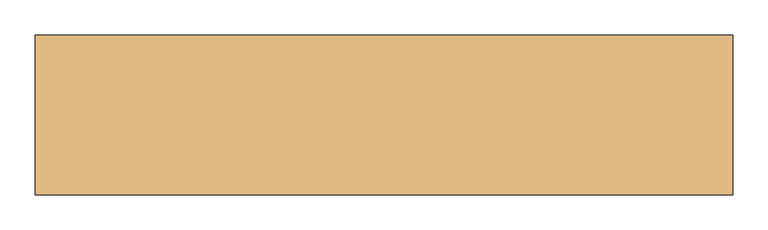
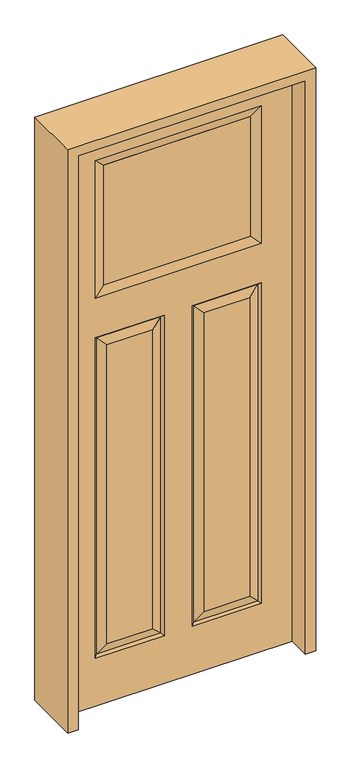
"""IFC4 building model written with IfcOpenShell, lengths in millimetres: door geometry."""

from ifc_helpers import new_model, si_unit, frame, origin, place, context, project, spatial, polyline, outline, extrude, faceted_brep, source, transform, mapped, element, save


def door_51b9a292(model_context):
    return source(origin(), model_context, "Body", "SolidModel", [
        faceted_brep([(-457.2, -20.6375, 2438.4), (-457.2, 20.6375, 2438.4), (-457.2, 20.6375, 0.0), (-457.2, -20.6375, 0.0), (287.4645, 20.6375, 1519.2652812), (287.4645, 20.6375, 249.1105), (102.9612813, 20.6375, 249.1105), (102.9612813, 20.6375, 1519.2652812), (-287.4645, 20.6375, 249.1105), (-287.4645, 20.6375, 1519.2652812), (-102.9612813, 20.6375, 1519.2652812), (-102.9612813, 20.6375, 249.1105), (457.2, 20.6375, 2438.4), (457.2, 20.6375, 0.0), (333.502, 20.6375, 203.073), (333.502, 20.6375, 1565.3027812), (56.9237813, 20.6375, 1565.3027812), (56.9237813, 20.6375, 203.073), (-333.5734375, 20.6375, 1733.3515625), (333.5734375, 20.6375, 1733.3515625), (333.5734375, 20.6375, 2317.9484375), (-333.5734375, 20.6375, 2317.9484375), (-333.502, 20.6375, 1565.3027812), (-333.502, 20.6375, 203.073), (-56.9237813, 20.6375, 203.073), (-56.9237813, 20.6375, 1565.3027812), (-324.5217439, 11.6572439, 1556.3225251), (-324.5217439, 11.6572439, 212.0532561), (-65.9040374, 11.6572439, 212.0532561), (65.9040374, -11.6572439, 212.0532561), (102.9612813, -20.6375, 249.1105), (102.9612812, -20.6375, 1519.2652812), (65.9040374, -11.6572439, 1556.3225251), (-102.9612813, -20.6375, 249.1105), (-65.9040374, -11.6572439, 212.0532561), (-65.9040374, -11.6572439, 1556.3225251), (-102.9612813, -20.6375, 1519.2652812), (-324.5217439, -11.6572439, 212.0532561), (-333.502, -20.6375, 203.073), (-56.9237813, -20.6375, 203.073), (-333.5734375, -20.6375, 1733.3515625), (-296.5161936, -11.6572439, 1770.4088064), (-296.5161936, -11.6572439, 2280.9398438), (-333.5734375, -20.6375, 2317.9484375), (296.5161936, -11.6572439, 1770.4088064), (333.5734375, -20.6375, 1733.3515625), (333.5734375, -20.6375, 2317.9484375), (296.5161936, -11.6572439, 2280.8911936), (324.5217439, -11.6572439, 1556.3225251), (333.502, -20.6375, 1565.3027812), (56.9237813, -20.6375, 1565.3027812), (296.5161936, 11.6572439, 2280.9398438), (-296.5161936, 11.6690335, 2280.9398438), (457.2, -20.6375, 0.0), (457.2, -20.6375, 2438.4), (287.4645, -20.6375, 249.1105), (287.4645, -20.6375, 1519.2652812), (-287.4645, -20.6375, 1519.2652812), (-287.4645, -20.6375, 249.1105), (-333.502, -20.6375, 1565.3027812), (-56.9237813, -20.6375, 1565.3027812), (333.502, -20.6375, 203.073), (56.9237813, -20.6375, 203.073), (324.5217439, 11.6572439, 212.0532561), (65.9040374, 11.6572439, 212.0532561), (324.5217439, -11.6572439, 212.0532561), (-324.5217439, -11.6572439, 1556.3225251), (296.5161936, 11.6572439, 1770.4088064), (324.5217439, 11.6572439, 1556.3225251), (65.9040374, 11.6572439, 1556.3225251), (-65.9040374, 11.6572439, 1556.3225251), (-296.5161936, 11.6572439, 1770.4088064)], [[[0, 1, 2, 3]], [[4, 5, 6, 7]], [[8, 9, 10, 11]], [[1, 12, 13, 2], [14, 15, 16, 17], [18, 19, 20, 21], [22, 23, 24, 25]], [[26, 27, 23, 22]], [[27, 26, 9, 8]], [[27, 8, 11, 28]], [[29, 30, 31, 32]], [[33, 34, 35, 36]], [[37, 38, 39, 34]], [[40, 41, 42, 43]], [[44, 45, 46, 47]], [[48, 49, 50, 32]], [[51, 47, 42, 52]], [[45, 44, 41, 40]], [[13, 53, 3, 2]], [[12, 54, 53, 13]], [[55, 56, 31, 30]], [[57, 58, 33, 36]], [[54, 0, 3, 53], [38, 59, 60, 39], [45, 40, 43, 46], [49, 61, 62, 50]], [[12, 1, 0, 54]], [[63, 14, 17, 64]], [[65, 55, 30, 29]], [[62, 29, 32, 50]], [[37, 66, 59, 38]], [[19, 67, 51, 20]], [[14, 63, 68, 15]], [[64, 17, 16, 69]], [[68, 63, 5, 4]], [[5, 63, 64, 6]], [[6, 64, 69, 7]], [[23, 27, 28, 24]], [[24, 28, 70, 25]], [[28, 11, 10, 70]], [[55, 65, 48, 56]], [[48, 65, 61, 49]], [[61, 65, 29, 62]], [[66, 37, 58, 57]], [[58, 37, 34, 33]], [[34, 39, 60, 35]], [[20, 51, 52, 21]], [[71, 18, 21, 52]], [[47, 46, 43, 42]], [[56, 48, 32, 31]], [[15, 68, 69, 16]], [[68, 4, 7, 69]], [[52, 42, 41, 71]], [[71, 41, 44, 67]], [[47, 51, 67, 44]], [[67, 19, 18, 71]], [[66, 57, 36, 35]], [[59, 66, 35, 60]], [[26, 22, 25, 70]], [[9, 26, 70, 10]]]),
        extrude(outline(polyline([(296.5161936, -11.6572439), (-296.5161936, -11.6572439), (-296.5161936, 11.6572439), (296.5161936, 11.6572439), (296.5161936, -11.6572439)])), frame((0.0, 0.0, 1770.3601562), z_axis=(0.0, 0.0, 1.0), x_axis=(1.0, 0.0, 0.0)), (0.0, 0.0, 1.0), 510.5796875),
        extrude(outline(polyline([(2479.675, -498.475), (0.0, -498.475), (0.0, -457.2), (2438.4, -457.2), (2438.4, 457.2), (0.0, 457.2), (0.0, 498.475), (2479.675, 498.475), (2479.675, -498.475)])), frame((0.0, -114.3, 0.0), z_axis=(0.0, 1.0, 0.0), x_axis=(0.0, 0.0, 1.0)), (0.0, 0.0, 1.0), 228.6),
    ])


if __name__ == "__main__":
    model = new_model("IFC4")
    model_context = context("Model", 3, world=origin())
    ifc_project = project(units=[si_unit("LENGTHUNIT", "METRE", prefix="MILLI")], contexts=[model_context])
    site = spatial("IfcSite", under=ifc_project)
    building = spatial("IfcBuilding", under=site)
    placement = place(None, origin())
    door_shape = door_51b9a292(model_context)
    element("IfcDoor", 1, at=placement, inside=building, context=model_context, shape_type="MappedRepresentation", body=[
        mapped(door_shape, transform((0.0, 0.0, 0.0), x_axis=(1.0, 0.0, 0.0), y_axis=(0.0, 1.0, 0.0), z_axis=(0.0, 0.0, 1.0))),
    ])
    save(model, "model.ifc")
